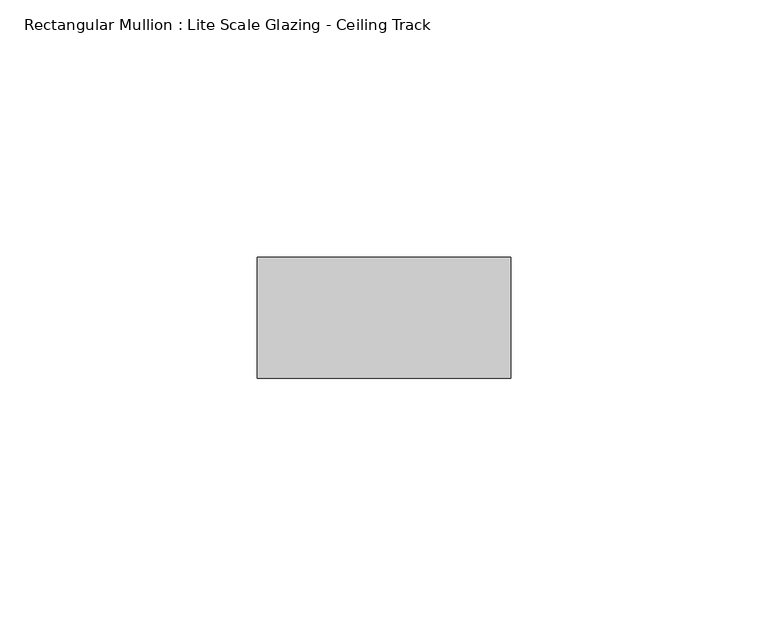
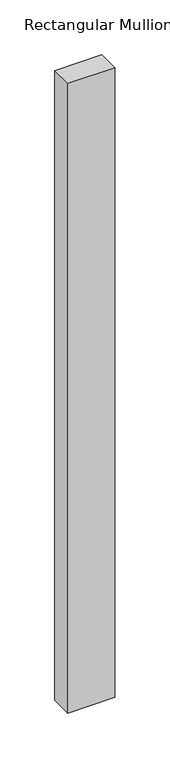
"""IFC4 building model written with IfcOpenShell, lengths in millimetres: member geometry, Rectangular Mullion : Lite Scale Glazing - Ceiling Track."""

from ifc_helpers import new_model, si_unit, frame, origin, place, context, project, spatial, polyline, outline, extrude, source, transform, mapped, element, save


def rectangular_mullion_lite_scale_glazing_ceiling_track_d3f852b5(model_context):
    return source(origin(), model_context, "Body", "SweptSolid", [
        extrude(outline(polyline([(-49.276, -11.7474999), (-49.276, 11.7474999), (0.0, 11.7474999), (0.0, -11.7474999), (-49.276, -11.7474999)])), frame((0.0, 0.0, -699.2576542), z_axis=(0.0, 0.0, 1.0), x_axis=(1.0, 0.0, 0.0)), (0.0, 0.0, 1.0), 699.2576542),
    ])


if __name__ == "__main__":
    model = new_model("IFC4")
    model_context = context("Model", 3, world=origin())
    ifc_project = project(units=[si_unit("LENGTHUNIT", "METRE", prefix="MILLI")], contexts=[model_context])
    site = spatial("IfcSite", under=ifc_project)
    building = spatial("IfcBuilding", under=site)
    placement = place(None, origin())
    rectangular_mullion_lite_scale_glazing_ceiling_track_shape = rectangular_mullion_lite_scale_glazing_ceiling_track_d3f852b5(model_context)
    element("IfcMember", 1, ObjectType="Rectangular Mullion : Lite Scale Glazing - Ceiling Track", at=placement, inside=building, context=model_context, shape_type="MappedRepresentation", body=[
        mapped(rectangular_mullion_lite_scale_glazing_ceiling_track_shape, transform((0.0, 0.0, 0.0), x_axis=(1.0, 0.0, 0.0), y_axis=(0.0, 1.0, 0.0), z_axis=(0.0, 0.0, 1.0))),
    ])
    save(model, "model.ifc")
